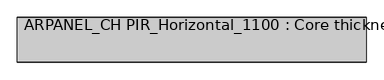
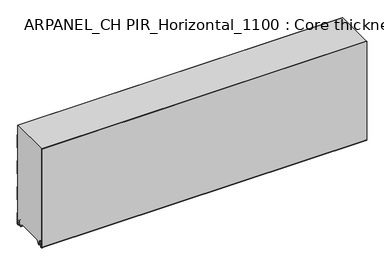
"""IFC4 building model written with IfcOpenShell, lengths in millimetres: plate geometry, ARPANEL_CH PIR_Horizontal_1100 : Core thickness - 160 mm."""

from ifc_helpers import new_model, si_unit, frame, origin, place, context, project, spatial, polyline, circle_curve, source, transform, mapped, element, save
from ifc_brep_helpers import plane_surface, cylinder_surface, revolved_surface, advanced_brep


def arpanel_ch_pir_horizontal_1100_core_thickness_160_mm_317dc444(model_context):
    return source(origin(), model_context, "Body", "AdvancedBrep", [
        advanced_brep(
        [(620.0, -159.9996949, 3.0900682), (620.0, -153.81449, 2.7875612), (620.0, -152.197116, 19.2828169), (620.0, -149.1776715, 21.9898782), (620.0, -146.1582271, 19.2828169), (620.0, -144.7725998, 5.1510966), (620.0, -140.3830995, 5.365779), (620.0, -141.1830995, 5.365779), (620.0, -143.9764178, 5.2291629), (620.0, -145.3620451, 19.3608832), (620.0, -149.1776715, 22.7899182), (620.0, -152.9932979, 19.3608832), (620.0, -154.6106719, 2.8656275), (620.0, -159.1996949, 3.0900682), (620.0, -159.2, 400.0), (620.0, -159.9996949, 400.0), (-620.0, -159.1996949, 3.0900682), (-620.0, -154.6106719, 2.8656275), (-620.0, -152.9932979, 19.3608832), (-620.0, -149.1776715, 22.7899182), (-620.0, -145.3620451, 19.3608832), (-620.0, -143.9764178, 5.2291629), (-620.0, -141.1830995, 5.365779), (-620.0, -140.3830995, 5.365779), (-620.0, -144.7725998, 5.1510966), (-620.0, -146.1582271, 19.2828169), (-620.0, -149.1776715, 21.9898782), (-620.0, -152.197116, 19.2828169), (-620.0, -153.81449, 2.7875612), (-620.0, -159.9996949, 3.0900682), (-620.0, -159.9996949, 400.0), (-620.0, -159.2, 400.0)],
        [
            (0, 1, circle_curve(frame((620.0, -156.8996949, 3.0900682), z_axis=(1.0, 0.0, 0.0), x_axis=(0.0, 0.0, -1.0)), 3.1)),
            (1, 2),
            (2, 3, circle_curve(frame((620.0, -149.2114338, 18.9900682), z_axis=(-1.0, 0.0, 0.0), x_axis=(0.0, 0.0, -1.0)), 3.0)),
            (3, 4, circle_curve(frame((620.0, -149.1439093, 18.9900682), z_axis=(-1.0, 0.0, 0.0), x_axis=(0.0, 0.0, -1.0)), 3.0)),
            (4, 5),
            (5, 6, circle_curve(frame((620.0, -142.5830995, 5.365779), z_axis=(1.0, 0.0, 0.0), x_axis=(0.0, 0.0, -1.0)), 2.2)),
            (6, 7),
            (7, 8, circle_curve(frame((620.0, -142.5830995, 5.365779), z_axis=(-1.0, 0.0, 0.0), x_axis=(0.0, 0.0, -1.0)), 1.4)),
            (8, 9),
            (9, 10, circle_curve(frame((620.0, -149.1439093, 18.9900682), z_axis=(1.0, 0.0, 0.0), x_axis=(0.0, 0.0, -1.0)), 3.8)),
            (10, 11, circle_curve(frame((620.0, -149.2114338, 18.9900682), z_axis=(1.0, 0.0, 0.0), x_axis=(0.0, 0.0, -1.0)), 3.8)),
            (11, 12),
            (12, 13, circle_curve(frame((620.0, -156.8996949, 3.0900682), z_axis=(-1.0, 0.0, 0.0), x_axis=(0.0, 0.0, -1.0)), 2.3)),
            (13, 14),
            (14, 15),
            (15, 0),
            (16, 17, circle_curve(frame((-620.0, -156.8996949, 3.0900682), z_axis=(1.0, 0.0, 0.0), x_axis=(0.0, 0.0, -1.0)), 2.3)),
            (17, 18),
            (18, 19, circle_curve(frame((-620.0, -149.2114338, 18.9900682), z_axis=(-1.0, 0.0, 0.0), x_axis=(0.0, 0.0, -1.0)), 3.8)),
            (19, 20, circle_curve(frame((-620.0, -149.1439093, 18.9900682), z_axis=(-1.0, 0.0, 0.0), x_axis=(0.0, 0.0, -1.0)), 3.8)),
            (20, 21),
            (21, 22, circle_curve(frame((-620.0, -142.5830995, 5.365779), z_axis=(1.0, 0.0, 0.0), x_axis=(0.0, 0.0, -1.0)), 1.4)),
            (22, 23),
            (23, 24, circle_curve(frame((-620.0, -142.5830995, 5.365779), z_axis=(-1.0, 0.0, 0.0), x_axis=(0.0, 0.0, -1.0)), 2.2)),
            (24, 25),
            (25, 26, circle_curve(frame((-620.0, -149.1439093, 18.9900682), z_axis=(1.0, 0.0, 0.0), x_axis=(0.0, 0.0, -1.0)), 3.0)),
            (26, 27, circle_curve(frame((-620.0, -149.2114338, 18.9900682), z_axis=(1.0, 0.0, 0.0), x_axis=(0.0, 0.0, -1.0)), 3.0)),
            (27, 28),
            (28, 29, circle_curve(frame((-620.0, -156.8996949, 3.0900682), z_axis=(-1.0, 0.0, 0.0), x_axis=(0.0, 0.0, -1.0)), 3.1)),
            (29, 30),
            (30, 31),
            (31, 16),
            (13, 16),
            (31, 14),
            (29, 0),
            (15, 30),
            (12, 17),
            (11, 18),
            (10, 19),
            (9, 20),
            (8, 21),
            (7, 22),
            (6, 23),
            (5, 24),
            (4, 25),
            (3, 26),
            (2, 27),
            (1, 28),
        ],
        [
            plane_surface(frame((620.0, -160.0, 0.0), z_axis=(1.0, 0.0, 0.0), x_axis=(0.0, 1.0, 0.0))),
            plane_surface(frame((-620.0, -160.0, 0.0), z_axis=(-1.0, 0.0, 0.0), x_axis=(0.0, 1.0, 0.0))),
            plane_surface(frame((620.0, -159.2, 3.0900682), z_axis=(0.0, 1.0, 0.0), x_axis=(-1.0, 0.0, 0.0))),
            plane_surface(frame((620.0, -159.9996949, 1093.9000005), z_axis=(0.0, -1.0, 0.0), x_axis=(-1.0, 0.0, 0.0))),
            revolved_surface(polyline([(-620.0, -156.8996949, 0.7900682000000003), (620.0, -156.8996949, 0.7900682000000003)]), (620.0, -156.8996949, 3.0900682), (-1.0, 0.0, 0.0)),
            plane_surface(frame((620.0, -152.9932979, 19.3608832), z_axis=(0.0, -0.9952273999818314, 0.09758289975914787), x_axis=(-1.0, 0.0, 0.0))),
            cylinder_surface(frame((620.0, -149.2114338, 18.9900682), z_axis=(1.0, 0.0, 0.0), x_axis=(0.0, 0.0, -1.0)), 3.8),
            cylinder_surface(frame((620.0, -149.1439093, 18.9900682), z_axis=(1.0, 0.0, 0.0), x_axis=(0.0, 0.0, -1.0)), 3.8),
            plane_surface(frame((620.0, -143.9764178, 5.2291629), z_axis=(0.0, 0.9952273999818297, 0.09758289975916531), x_axis=(-1.0, 0.0, 0.0))),
            revolved_surface(polyline([(-620.0, -142.5830995, 3.965779), (620.0, -142.5830995, 3.965779)]), (620.0, -142.5830995, 5.365779), (-1.0, 0.0, 0.0)),
            plane_surface(frame((620.0, -140.3830995, 5.365779), z_axis=(0.0, 0.0, 1.0), x_axis=(-1.0, 0.0, 0.0))),
            cylinder_surface(frame((620.0, -142.5830995, 5.365779), z_axis=(1.0, 0.0, 0.0), x_axis=(0.0, 0.0, -1.0)), 2.2),
            plane_surface(frame((620.0, -146.1582271, 19.2828169), z_axis=(0.0, -0.9952273999818296, -0.09758289975916527), x_axis=(-1.0, 0.0, 0.0))),
            revolved_surface(polyline([(-620.0, -149.1439093, 15.9900682), (620.0, -149.1439093, 15.9900682)]), (620.0, -149.1439093, 18.9900682), (-1.0, 0.0, 0.0)),
            revolved_surface(polyline([(-620.0, -149.2114338, 15.9900682), (620.0, -149.2114338, 15.9900682)]), (620.0, -149.2114338, 18.9900682), (-1.0, 0.0, 0.0)),
            plane_surface(frame((620.0, -153.81449, 2.7875612), z_axis=(0.0, 0.9952273999818314, -0.09758289975914787), x_axis=(-1.0, 0.0, 0.0))),
            cylinder_surface(frame((620.0, -156.8996949, 3.0900682), z_axis=(1.0, 0.0, 0.0), x_axis=(0.0, 0.0, -1.0)), 3.1),
            plane_surface(frame((-620.0, 134.0533409, 400.0), z_axis=(0.0, 0.0, 1.0), x_axis=(1.0, 0.0, 0.0))),
        ],
        [
            (0, [[1, 2, 3, 4, 5, 6, 7, 8, 9, 10, 11, 12, 13, 14, 15, 16]]),
            (1, [[17, 18, 19, 20, 21, 22, 23, 24, 25, 26, 27, 28, 29, 30, 31, 32]]),
            (2, [[33, -32, 34, -14]]),
            (3, [[35, -16, 36, -30]]),
            (4, [[-13, 37, -17, -33]]),
            (5, [[-12, 38, -18, -37]]),
            (6, [[-11, 39, -19, -38]]),
            (7, [[-10, 40, -20, -39]]),
            (8, [[-9, 41, -21, -40]]),
            (9, [[-8, 42, -22, -41]]),
            (10, [[-7, 43, -23, -42]]),
            (11, [[-6, 44, -24, -43]]),
            (12, [[-5, 45, -25, -44]]),
            (13, [[-4, 46, -26, -45]]),
            (14, [[-3, 47, -27, -46]]),
            (15, [[-2, 48, -28, -47]]),
            (16, [[-1, -35, -29, -48]]),
            (17, [[-15, -34, -31, -36]]),
        ],
    ),
        advanced_brep(
        [(620.0, -129.873448, 15.1417681), (620.0, -30.126552, 15.1417681), (620.0, -23.4071318, 3.165779), (620.0, -17.4169005, 3.165779), (620.0, -19.6169005, 5.365779), (620.0, -18.8169005, 5.365779), (620.0, -16.0235822, 5.2291629), (620.0, -14.6379549, 19.3608832), (620.0, -10.8223285, 22.7899182), (620.0, -7.0067021, 19.3608832), (620.0, -5.3893281, 2.8656275), (620.0, -0.8003051, 3.0900682), (620.0, -0.8, 44.6827637), (620.0, -1.0986697, 45.7341795), (620.0, -1.5003051, 47.1545605), (620.0, -1.5003051, 97.3143437), (620.0, -1.0971009, 98.7337551), (620.0, -0.8, 99.7861405), (620.0, -0.8, 149.9459237), (620.0, -1.0986697, 150.9973395), (620.0, -1.5003051, 152.4177205), (620.0, -1.5003051, 202.5775037), (620.0, -1.0971009, 203.9969151), (620.0, -0.8, 205.0493005), (620.0, -0.8, 255.2090837), (620.0, -1.0986697, 256.2604995), (620.0, -1.5003051, 257.6808805), (620.0, -1.5003051, 307.8406637), (620.0, -1.0971009, 309.2600751), (620.0, -0.8, 310.3124605), (620.0, -0.8, 360.4722437), (620.0, -1.0986697, 361.5236595), (620.0, -1.5003051, 362.9440405), (620.0, -1.5003051, 400.0), (620.0, -159.2, 400.0), (620.0, -159.2, 3.0900682), (620.0, -154.6106719, 2.8656275), (620.0, -152.9932979, 19.3608832), (620.0, -149.1776715, 22.7899182), (620.0, -145.3620451, 19.3608832), (620.0, -143.9764178, 5.2291629), (620.0, -141.1830995, 5.365779), (620.0, -140.3830995, 5.365779), (620.0, -142.5830995, 3.165779), (620.0, -136.5928682, 3.165779), (-620.0, -30.126552, 15.1417681), (-620.0, -129.873448, 15.1417681), (-620.0, -136.5928682, 3.165779), (-620.0, -142.5830995, 3.165779), (-620.0, -140.3830995, 5.365779), (-620.0, -141.1830995, 5.365779), (-620.0, -143.9764178, 5.2291629), (-620.0, -145.3620451, 19.3608832), (-620.0, -149.1776715, 22.7899182), (-620.0, -152.9932979, 19.3608832), (-620.0, -154.6106719, 2.8656275), (-620.0, -159.1996949, 3.0900682), (-620.0, -159.2, 400.0), (-620.0, -1.5003051, 400.0), (-620.0, -1.5003051, 362.9440405), (-620.0, -1.0971009, 361.5246291), (-620.0, -0.8, 360.4722437), (-620.0, -0.8, 310.3124605), (-620.0, -1.0986697, 309.2610446), (-620.0, -1.5003051, 307.8406637), (-620.0, -1.5003051, 257.6808805), (-620.0, -1.0971009, 256.2614691), (-620.0, -0.8, 255.2090837), (-620.0, -0.8, 205.0493005), (-620.0, -1.0986697, 203.9978846), (-620.0, -1.5003051, 202.5775037), (-620.0, -1.5003051, 152.4177205), (-620.0, -1.0971009, 150.9983091), (-620.0, -0.8, 149.9459237), (-620.0, -0.8, 99.7861405), (-620.0, -1.0986697, 98.7347246), (-620.0, -1.5003051, 97.3143437), (-620.0, -1.5003051, 47.1545605), (-620.0, -1.0971009, 45.7351491), (-620.0, -0.8, 44.6827637), (-620.0, -0.8, 3.0900682), (-620.0, -5.3893281, 2.8656275), (-620.0, -7.0067021, 19.3608832), (-620.0, -10.8223285, 22.7899182), (-620.0, -14.6379549, 19.3608832), (-620.0, -16.0235822, 5.2291629), (-620.0, -18.8169005, 5.365779), (-620.0, -19.6169005, 5.365779), (-620.0, -17.4169005, 3.165779), (-620.0, -23.4071318, 3.165779)],
        [
            (0, 1),
            (1, 2),
            (2, 3),
            (3, 4, circle_curve(frame((620.0, -17.4169005, 5.365779), z_axis=(-1.0, 0.0, 0.0), x_axis=(0.0, 0.0, -1.0)), 2.2)),
            (4, 5),
            (5, 6, circle_curve(frame((620.0, -17.4169005, 5.365779), z_axis=(1.0, 0.0, 0.0), x_axis=(0.0, 0.0, -1.0)), 1.4)),
            (6, 7),
            (7, 8, circle_curve(frame((620.0, -10.8560907, 18.9900682), z_axis=(-1.0, 0.0, 0.0), x_axis=(0.0, 0.0, -1.0)), 3.8)),
            (8, 9, circle_curve(frame((620.0, -10.7885662, 18.9900682), z_axis=(-1.0, 0.0, 0.0), x_axis=(0.0, 0.0, -1.0)), 3.8)),
            (9, 10),
            (10, 11, circle_curve(frame((620.0, -3.1003051, 3.0900682), z_axis=(1.0, 0.0, 0.0), x_axis=(0.0, 0.0, -1.0)), 2.3)),
            (11, 12),
            (12, 13, circle_curve(frame((620.0, -2.8, 44.6827637), z_axis=(1.0, 0.0, 0.0), x_axis=(0.0, 0.0, -1.0)), 2.0)),
            (13, 14, circle_curve(frame((620.0, 1.1996949, 47.1545605), z_axis=(-1.0, 0.0, 0.0), x_axis=(0.0, 0.0, -1.0)), 2.7)),
            (14, 15),
            (15, 16, circle_curve(frame((620.0, 1.1996949, 97.3143437), z_axis=(-1.0, 0.0, 0.0), x_axis=(0.0, 0.0, -1.0)), 2.7)),
            (16, 17, circle_curve(frame((620.0, -2.8, 99.7861405), z_axis=(1.0, 0.0, 0.0), x_axis=(0.0, 0.0, -1.0)), 2.0)),
            (17, 18),
            (18, 19, circle_curve(frame((620.0, -2.8, 149.9459237), z_axis=(1.0, 0.0, 0.0), x_axis=(0.0, 0.0, -1.0)), 2.0)),
            (19, 20, circle_curve(frame((620.0, 1.1996949, 152.4177205), z_axis=(-1.0, 0.0, 0.0), x_axis=(0.0, 0.0, -1.0)), 2.7)),
            (20, 21),
            (21, 22, circle_curve(frame((620.0, 1.1996949, 202.5775037), z_axis=(-1.0, 0.0, 0.0), x_axis=(0.0, 0.0, -1.0)), 2.7)),
            (22, 23, circle_curve(frame((620.0, -2.8, 205.0493005), z_axis=(1.0, 0.0, 0.0), x_axis=(0.0, 0.0, -1.0)), 2.0)),
            (23, 24),
            (24, 25, circle_curve(frame((620.0, -2.8, 255.2090837), z_axis=(1.0, 0.0, 0.0), x_axis=(0.0, 0.0, -1.0)), 2.0)),
            (25, 26, circle_curve(frame((620.0, 1.1996949, 257.6808805), z_axis=(-1.0, 0.0, 0.0), x_axis=(0.0, 0.0, -1.0)), 2.7)),
            (26, 27),
            (27, 28, circle_curve(frame((620.0, 1.1996949, 307.8406637), z_axis=(-1.0, 0.0, 0.0), x_axis=(0.0, 0.0, -1.0)), 2.7)),
            (28, 29, circle_curve(frame((620.0, -2.8, 310.3124605), z_axis=(1.0, 0.0, 0.0), x_axis=(0.0, 0.0, -1.0)), 2.0)),
            (29, 30),
            (30, 31, circle_curve(frame((620.0, -2.8, 360.4722437), z_axis=(1.0, 0.0, 0.0), x_axis=(0.0, 0.0, -1.0)), 2.0)),
            (31, 32, circle_curve(frame((620.0, 1.1996949, 362.9440405), z_axis=(-1.0, 0.0, 0.0), x_axis=(0.0, 0.0, -1.0)), 2.7)),
            (32, 33),
            (33, 34),
            (34, 35),
            (35, 36, circle_curve(frame((620.0, -156.8996949, 3.0900682), z_axis=(1.0, 0.0, 0.0), x_axis=(0.0, 0.0, -1.0)), 2.3)),
            (36, 37),
            (37, 38, circle_curve(frame((620.0, -149.2114338, 18.9900682), z_axis=(-1.0, 0.0, 0.0), x_axis=(0.0, 0.0, -1.0)), 3.8)),
            (38, 39, circle_curve(frame((620.0, -149.1439093, 18.9900682), z_axis=(-1.0, 0.0, 0.0), x_axis=(0.0, 0.0, -1.0)), 3.8)),
            (39, 40),
            (40, 41, circle_curve(frame((620.0, -142.5830995, 5.365779), z_axis=(1.0, 0.0, 0.0), x_axis=(0.0, 0.0, -1.0)), 1.4)),
            (41, 42),
            (42, 43, circle_curve(frame((620.0, -142.5830995, 5.365779), z_axis=(-1.0, 0.0, 0.0), x_axis=(0.0, 0.0, -1.0)), 2.2)),
            (43, 44),
            (44, 0),
            (45, 46),
            (46, 47),
            (47, 48),
            (48, 49, circle_curve(frame((-620.0, -142.5830995, 5.365779), z_axis=(1.0, 0.0, 0.0), x_axis=(0.0, 0.0, -1.0)), 2.2)),
            (49, 50),
            (50, 51, circle_curve(frame((-620.0, -142.5830995, 5.365779), z_axis=(-1.0, 0.0, 0.0), x_axis=(0.0, 0.0, -1.0)), 1.4)),
            (51, 52),
            (52, 53, circle_curve(frame((-620.0, -149.1439093, 18.9900682), z_axis=(1.0, 0.0, 0.0), x_axis=(0.0, 0.0, -1.0)), 3.8)),
            (53, 54, circle_curve(frame((-620.0, -149.2114338, 18.9900682), z_axis=(1.0, 0.0, 0.0), x_axis=(0.0, 0.0, -1.0)), 3.8)),
            (54, 55),
            (55, 56, circle_curve(frame((-620.0, -156.8996949, 3.0900682), z_axis=(-1.0, 0.0, 0.0), x_axis=(0.0, 0.0, -1.0)), 2.3)),
            (56, 57),
            (57, 58),
            (58, 59),
            (59, 60, circle_curve(frame((-620.0, 1.1996949, 362.9440405), z_axis=(1.0, 0.0, 0.0), x_axis=(0.0, 0.0, -1.0)), 2.7)),
            (60, 61, circle_curve(frame((-620.0, -2.8, 360.4722437), z_axis=(-1.0, 0.0, 0.0), x_axis=(0.0, 0.0, -1.0)), 2.0)),
            (61, 62),
            (62, 63, circle_curve(frame((-620.0, -2.8, 310.3124605), z_axis=(-1.0, 0.0, 0.0), x_axis=(0.0, 0.0, -1.0)), 2.0)),
            (63, 64, circle_curve(frame((-620.0, 1.1996949, 307.8406637), z_axis=(1.0, 0.0, 0.0), x_axis=(0.0, 0.0, -1.0)), 2.7)),
            (64, 65),
            (65, 66, circle_curve(frame((-620.0, 1.1996949, 257.6808805), z_axis=(1.0, 0.0, 0.0), x_axis=(0.0, 0.0, -1.0)), 2.7)),
            (66, 67, circle_curve(frame((-620.0, -2.8, 255.2090837), z_axis=(-1.0, 0.0, 0.0), x_axis=(0.0, 0.0, -1.0)), 2.0)),
            (67, 68),
            (68, 69, circle_curve(frame((-620.0, -2.8, 205.0493005), z_axis=(-1.0, 0.0, 0.0), x_axis=(0.0, 0.0, -1.0)), 2.0)),
            (69, 70, circle_curve(frame((-620.0, 1.1996949, 202.5775037), z_axis=(1.0, 0.0, 0.0), x_axis=(0.0, 0.0, -1.0)), 2.7)),
            (70, 71),
            (71, 72, circle_curve(frame((-620.0, 1.1996949, 152.4177205), z_axis=(1.0, 0.0, 0.0), x_axis=(0.0, 0.0, -1.0)), 2.7)),
            (72, 73, circle_curve(frame((-620.0, -2.8, 149.9459237), z_axis=(-1.0, 0.0, 0.0), x_axis=(0.0, 0.0, -1.0)), 2.0)),
            (73, 74),
            (74, 75, circle_curve(frame((-620.0, -2.8, 99.7861405), z_axis=(-1.0, 0.0, 0.0), x_axis=(0.0, 0.0, -1.0)), 2.0)),
            (75, 76, circle_curve(frame((-620.0, 1.1996949, 97.3143437), z_axis=(1.0, 0.0, 0.0), x_axis=(0.0, 0.0, -1.0)), 2.7)),
            (76, 77),
            (77, 78, circle_curve(frame((-620.0, 1.1996949, 47.1545605), z_axis=(1.0, 0.0, 0.0), x_axis=(0.0, 0.0, -1.0)), 2.7)),
            (78, 79, circle_curve(frame((-620.0, -2.8, 44.6827637), z_axis=(-1.0, 0.0, 0.0), x_axis=(0.0, 0.0, -1.0)), 2.0)),
            (79, 80),
            (80, 81, circle_curve(frame((-620.0, -3.1003051, 3.0900682), z_axis=(-1.0, 0.0, 0.0), x_axis=(0.0, 0.0, -1.0)), 2.3)),
            (81, 82),
            (82, 83, circle_curve(frame((-620.0, -10.7885662, 18.9900682), z_axis=(1.0, 0.0, 0.0), x_axis=(0.0, 0.0, -1.0)), 3.8)),
            (83, 84, circle_curve(frame((-620.0, -10.8560907, 18.9900682), z_axis=(1.0, 0.0, 0.0), x_axis=(0.0, 0.0, -1.0)), 3.8)),
            (84, 85),
            (85, 86, circle_curve(frame((-620.0, -17.4169005, 5.365779), z_axis=(-1.0, 0.0, 0.0), x_axis=(0.0, 0.0, -1.0)), 1.4)),
            (86, 87),
            (87, 88, circle_curve(frame((-620.0, -17.4169005, 5.365779), z_axis=(1.0, 0.0, 0.0), x_axis=(0.0, 0.0, -1.0)), 2.2)),
            (88, 89),
            (89, 45),
            (1, 45),
            (89, 2),
            (0, 46),
            (44, 47),
            (72, 19),
            (18, 73),
            (71, 20),
            (70, 21),
            (69, 22),
            (68, 23),
            (67, 24),
            (66, 25),
            (65, 26),
            (64, 27),
            (63, 28),
            (62, 29),
            (61, 30),
            (60, 31),
            (59, 32),
            (58, 33),
            (56, 35),
            (34, 57),
            (88, 3),
            (43, 48),
            (87, 4),
            (86, 5),
            (85, 6),
            (84, 7),
            (83, 8),
            (82, 9),
            (81, 10),
            (80, 11),
            (79, 12),
            (78, 13),
            (77, 14),
            (76, 15),
            (75, 16),
            (74, 17),
            (55, 36),
            (54, 37),
            (53, 38),
            (52, 39),
            (51, 40),
            (50, 41),
            (49, 42),
        ],
        [
            plane_surface(frame((620.0, 0.0, 0.0), z_axis=(1.0, 0.0, 0.0), x_axis=(0.0, -1.0, 0.0))),
            plane_surface(frame((-620.0, 0.0, 0.0), z_axis=(-1.0, 0.0, 0.0), x_axis=(0.0, -1.0, 0.0))),
            plane_surface(frame((620.0, -30.126552, 15.1417681), z_axis=(0.0, -0.8721062992196836, -0.4893164649399687), x_axis=(-1.0, 0.0, 0.0))),
            plane_surface(frame((620.0, -129.873448, 15.1417681), z_axis=(0.0, 0.0, -1.0), x_axis=(-1.0, 0.0, 0.0))),
            plane_surface(frame((620.0, -136.8190247, 2.7627014), z_axis=(0.0, 0.8721062992196862, -0.4893164649399642), x_axis=(-1.0, 0.0, 0.0))),
            cylinder_surface(frame((750.0, -2.8, 149.9459237), z_axis=(-1.0, 0.0, 0.0), x_axis=(0.0, 0.0, -1.0)), 2.0),
            revolved_surface(polyline([(620.0, 1.1996949, 149.7177205), (-620.0, 1.1996949, 149.7177205)]), (750.0, 1.1996949, 152.4177205), (1.0, 0.0, 0.0)),
            plane_surface(frame((750.0, -1.5003051, 202.5775037), z_axis=(0.0, 1.0, 0.0), x_axis=(-1.0, 0.0, 0.0))),
            revolved_surface(polyline([(620.0, 1.1996949, 199.8775037), (-620.0, 1.1996949, 199.8775037)]), (750.0, 1.1996949, 202.5775037), (1.0, 0.0, 0.0)),
            cylinder_surface(frame((750.0, -2.8, 205.0493005), z_axis=(-1.0, 0.0, 0.0), x_axis=(0.0, 0.0, -1.0)), 2.0),
            plane_surface(frame((750.0, -0.8, 255.2090837), z_axis=(0.0, 1.0, 0.0), x_axis=(-1.0, 0.0, 0.0))),
            cylinder_surface(frame((750.0, -2.8, 255.2090837), z_axis=(-1.0, 0.0, 0.0), x_axis=(0.0, 0.0, -1.0)), 2.0),
            revolved_surface(polyline([(620.0, 1.1996949, 254.9808805), (-620.0, 1.1996949, 254.9808805)]), (750.0, 1.1996949, 257.6808805), (1.0, 0.0, 0.0)),
            plane_surface(frame((750.0, -1.5003051, 307.8406637), z_axis=(0.0, 1.0, 0.0), x_axis=(-1.0, 0.0, 0.0))),
            revolved_surface(polyline([(620.0, 1.1996949, 305.1406637), (-620.0, 1.1996949, 305.1406637)]), (750.0, 1.1996949, 307.8406637), (1.0, 0.0, 0.0)),
            cylinder_surface(frame((750.0, -2.8, 310.3124605), z_axis=(-1.0, 0.0, 0.0), x_axis=(0.0, 0.0, -1.0)), 2.0),
            plane_surface(frame((750.0, -0.8, 360.4722437), z_axis=(0.0, 1.0, 0.0), x_axis=(-1.0, 0.0, 0.0))),
            cylinder_surface(frame((750.0, -2.8, 360.4722437), z_axis=(-1.0, 0.0, 0.0), x_axis=(0.0, 0.0, -1.0)), 2.0),
            revolved_surface(polyline([(620.0, 1.1996949, 360.24404050000004), (-620.0, 1.1996949, 360.24404050000004)]), (750.0, 1.1996949, 362.9440405), (1.0, 0.0, 0.0)),
            plane_surface(frame((750.0, -1.5003051, 413.1038237), z_axis=(0.0, 1.0, 0.0), x_axis=(-1.0, 0.0, 0.0))),
            plane_surface(frame((750.0, -159.2, 3.0900682), z_axis=(0.0, -1.0, 0.0), x_axis=(-1.0, 0.0, 0.0))),
            plane_surface(frame((-620.0, -142.5830995, 3.165779), z_axis=(0.0, 0.0, -1.0), x_axis=(1.0, 0.0, 0.0))),
            revolved_surface(polyline([(620.0, -17.4169005, 3.1657789999999997), (-620.0, -17.4169005, 3.1657789999999997)]), (750.0, -17.4169005, 5.365779), (1.0, 0.0, 0.0)),
            plane_surface(frame((750.0, -18.8169005, 5.365779), z_axis=(0.0, 0.0, -1.0), x_axis=(-1.0, 0.0, 0.0))),
            cylinder_surface(frame((750.0, -17.4169005, 5.365779), z_axis=(-1.0, 0.0, 0.0), x_axis=(0.0, 0.0, -1.0)), 1.4),
            plane_surface(frame((750.0, -14.6379549, 19.3608832), z_axis=(0.0, 0.9952273999818297, -0.09758289975916531), x_axis=(-1.0, 0.0, 0.0))),
            revolved_surface(polyline([(620.0, -10.8560907, 15.190068199999999), (-620.0, -10.8560907, 15.190068199999999)]), (750.0, -10.8560907, 18.9900682), (1.0, 0.0, 0.0)),
            revolved_surface(polyline([(620.0, -10.7885662, 15.190068199999999), (-620.0, -10.7885662, 15.190068199999999)]), (750.0, -10.7885662, 18.9900682), (1.0, 0.0, 0.0)),
            plane_surface(frame((750.0, -5.3893281, 2.8656275), z_axis=(0.0, -0.9952273999818314, -0.09758289975914787), x_axis=(-1.0, 0.0, 0.0))),
            cylinder_surface(frame((750.0, -3.1003051, 3.0900682), z_axis=(-1.0, 0.0, 0.0), x_axis=(0.0, 0.0, -1.0)), 2.3),
            plane_surface(frame((750.0, -0.8, 44.6827637), z_axis=(0.0, 1.0, 0.0), x_axis=(-1.0, 0.0, 0.0))),
            cylinder_surface(frame((750.0, -2.8, 44.6827637), z_axis=(-1.0, 0.0, 0.0), x_axis=(0.0, 0.0, -1.0)), 2.0),
            revolved_surface(polyline([(620.0, 1.1996949, 44.4545605), (-620.0, 1.1996949, 44.4545605)]), (750.0, 1.1996949, 47.1545605), (1.0, 0.0, 0.0)),
            plane_surface(frame((750.0, -1.5003051, 97.3143437), z_axis=(0.0, 1.0, 0.0), x_axis=(-1.0, 0.0, 0.0))),
            revolved_surface(polyline([(620.0, 1.1996949, 94.61434369999999), (-620.0, 1.1996949, 94.61434369999999)]), (750.0, 1.1996949, 97.3143437), (1.0, 0.0, 0.0)),
            cylinder_surface(frame((750.0, -2.8, 99.7861405), z_axis=(-1.0, 0.0, 0.0), x_axis=(0.0, 0.0, -1.0)), 2.0),
            plane_surface(frame((750.0, -0.8, 149.9459237), z_axis=(0.0, 1.0, 0.0), x_axis=(-1.0, 0.0, 0.0))),
            cylinder_surface(frame((750.0, -156.8996949, 3.0900682), z_axis=(-1.0, 0.0, 0.0), x_axis=(0.0, 0.0, -1.0)), 2.3),
            plane_surface(frame((750.0, -152.9932979, 19.3608832), z_axis=(0.0, 0.9952273999818314, -0.09758289975914787), x_axis=(-1.0, 0.0, 0.0))),
            revolved_surface(polyline([(620.0, -149.2114338, 15.190068199999999), (-620.0, -149.2114338, 15.190068199999999)]), (750.0, -149.2114338, 18.9900682), (1.0, 0.0, 0.0)),
            revolved_surface(polyline([(620.0, -149.1439093, 15.190068199999999), (-620.0, -149.1439093, 15.190068199999999)]), (750.0, -149.1439093, 18.9900682), (1.0, 0.0, 0.0)),
            plane_surface(frame((750.0, -143.9764178, 5.2291629), z_axis=(0.0, -0.9952273999818297, -0.09758289975916531), x_axis=(-1.0, 0.0, 0.0))),
            cylinder_surface(frame((750.0, -142.5830995, 5.365779), z_axis=(-1.0, 0.0, 0.0), x_axis=(0.0, 0.0, -1.0)), 1.4),
            plane_surface(frame((750.0, -140.3830995, 5.365779), z_axis=(0.0, 0.0, -1.0), x_axis=(-1.0, 0.0, 0.0))),
            revolved_surface(polyline([(620.0, -142.5830995, 3.1657789999999997), (-620.0, -142.5830995, 3.1657789999999997)]), (750.0, -142.5830995, 5.365779), (1.0, 0.0, 0.0)),
            plane_surface(frame((-620.0, 134.0533409, 400.0), z_axis=(0.0, 0.0, 1.0), x_axis=(1.0, 0.0, 0.0))),
        ],
        [
            (0, [[1, 2, 3, 4, 5, 6, 7, 8, 9, 10, 11, 12, 13, 14, 15, 16, 17, 18, 19, 20, 21, 22, 23, 24, 25, 26, 27, 28, 29, 30, 31, 32, 33, 34, 35, 36, 37, 38, 39, 40, 41, 42, 43, 44, 45]]),
            (1, [[46, 47, 48, 49, 50, 51, 52, 53, 54, 55, 56, 57, 58, 59, 60, 61, 62, 63, 64, 65, 66, 67, 68, 69, 70, 71, 72, 73, 74, 75, 76, 77, 78, 79, 80, 81, 82, 83, 84, 85, 86, 87, 88, 89, 90]]),
            (2, [[91, -90, 92, -2]]),
            (3, [[-1, 93, -46, -91]]),
            (4, [[-93, -45, 94, -47]]),
            (5, [[95, -19, 96, -73]]),
            (6, [[-95, -72, 97, -20]]),
            (7, [[-97, -71, 98, -21]]),
            (8, [[-98, -70, 99, -22]]),
            (9, [[-99, -69, 100, -23]]),
            (10, [[-100, -68, 101, -24]]),
            (11, [[-101, -67, 102, -25]]),
            (12, [[-102, -66, 103, -26]]),
            (13, [[-103, -65, 104, -27]]),
            (14, [[-104, -64, 105, -28]]),
            (15, [[-105, -63, 106, -29]]),
            (16, [[-106, -62, 107, -30]]),
            (17, [[-107, -61, 108, -31]]),
            (18, [[-108, -60, 109, -32]]),
            (19, [[-109, -59, 110, -33]]),
            (20, [[111, -35, 112, -57]]),
            (21, [[-3, -92, -89, 113]]),
            (21, [[-44, 114, -48, -94]]),
            (22, [[115, -4, -113, -88]]),
            (23, [[-115, -87, 116, -5]]),
            (24, [[-116, -86, 117, -6]]),
            (25, [[-117, -85, 118, -7]]),
            (26, [[-118, -84, 119, -8]]),
            (27, [[-119, -83, 120, -9]]),
            (28, [[-120, -82, 121, -10]]),
            (29, [[-121, -81, 122, -11]]),
            (30, [[-122, -80, 123, -12]]),
            (31, [[-123, -79, 124, -13]]),
            (32, [[-124, -78, 125, -14]]),
            (33, [[-125, -77, 126, -15]]),
            (34, [[-126, -76, 127, -16]]),
            (35, [[-127, -75, 128, -17]]),
            (36, [[-128, -74, -96, -18]]),
            (37, [[-111, -56, 129, -36]]),
            (38, [[-129, -55, 130, -37]]),
            (39, [[-130, -54, 131, -38]]),
            (40, [[-131, -53, 132, -39]]),
            (41, [[-132, -52, 133, -40]]),
            (42, [[-133, -51, 134, -41]]),
            (43, [[-134, -50, 135, -42]]),
            (44, [[-135, -49, -114, -43]]),
            (45, [[-110, -58, -112, -34]]),
        ],
    ),
        advanced_brep(
        [(-620.0, -0.7003051, 362.9440405), (-620.0, -0.4016712, 361.8926826), (-620.0, -0.0003051, 360.4722437), (-620.0, -0.0003051, 310.3124605), (-620.0, -0.4034608, 308.8931274), (-620.0, -0.7003051, 307.8406637), (-620.0, -0.7003051, 257.6808805), (-620.0, -0.4016712, 256.6295226), (-620.0, -0.0003051, 255.2090837), (-620.0, -0.0003051, 205.0493005), (-620.0, -0.4034608, 203.6299674), (-620.0, -0.7003051, 202.5775037), (-620.0, -0.7003051, 152.4177205), (-620.0, -0.4016712, 151.3663626), (-620.0, -0.0003051, 149.9459237), (-620.0, -0.0003051, 99.7861405), (-620.0, -0.4034608, 98.3668074), (-620.0, -0.7003051, 97.3143437), (-620.0, -0.7003051, 47.1545605), (-620.0, -0.4016712, 46.1032026), (-620.0, -0.0003051, 44.6827637), (-620.0, -0.0003051, 3.0900682), (-620.0, -6.18551, 2.7875612), (-620.0, -7.802884, 19.2828169), (-620.0, -10.8223285, 21.9898782), (-620.0, -13.8417729, 19.2828169), (-620.0, -15.2274002, 5.1510966), (-620.0, -19.6169005, 5.365779), (-620.0, -18.8169005, 5.365779), (-620.0, -16.0235822, 5.2291629), (-620.0, -14.6379549, 19.3608832), (-620.0, -10.8223285, 22.7899182), (-620.0, -7.0067021, 19.3608832), (-620.0, -5.3893281, 2.8656275), (-620.0, -0.8003051, 3.0900682), (-620.0, -0.8, 44.6827637), (-620.0, -1.0986697, 45.7341795), (-620.0, -1.5003051, 47.1545605), (-620.0, -1.5003051, 97.3143437), (-620.0, -1.0971009, 98.7337551), (-620.0, -0.8, 99.7861405), (-620.0, -0.8, 149.9459237), (-620.0, -1.0986697, 150.9973395), (-620.0, -1.5003051, 152.4177205), (-620.0, -1.5003051, 202.5775037), (-620.0, -1.0971009, 203.9969151), (-620.0, -0.8, 205.0493005), (-620.0, -0.8, 255.2090837), (-620.0, -1.0986697, 256.2604995), (-620.0, -1.5003051, 257.6808805), (-620.0, -1.5003051, 307.8406637), (-620.0, -1.0971009, 309.2600751), (-620.0, -0.8, 310.3124605), (-620.0, -0.8, 360.4722437), (-620.0, -1.0986697, 361.5236595), (-620.0, -1.5003051, 362.9440405), (-620.0, -1.5003051, 400.0), (-620.0, -0.7003051, 400.0), (620.0, -1.5003051, 362.9440405), (620.0, -1.0971009, 361.5246291), (620.0, -0.8, 360.4722437), (620.0, -0.8, 310.3124605), (620.0, -1.0986697, 309.2610446), (620.0, -1.5003051, 307.8406637), (620.0, -1.5003051, 257.6808805), (620.0, -1.0971009, 256.2614691), (620.0, -0.8, 255.2090837), (620.0, -0.8, 205.0493005), (620.0, -1.0986697, 203.9978846), (620.0, -1.5003051, 202.5775037), (620.0, -1.5003051, 152.4177205), (620.0, -1.0971009, 150.9983091), (620.0, -0.8, 149.9459237), (620.0, -0.8, 99.7861405), (620.0, -1.0986697, 98.7347246), (620.0, -1.5003051, 97.3143437), (620.0, -1.5003051, 47.1545605), (620.0, -1.0971009, 45.7351491), (620.0, -0.8, 44.6827637), (620.0, -0.8, 3.0900682), (620.0, -5.3893281, 2.8656275), (620.0, -7.0067021, 19.3608832), (620.0, -10.8223285, 22.7899182), (620.0, -14.6379549, 19.3608832), (620.0, -16.0235822, 5.2291629), (620.0, -18.8169005, 5.365779), (620.0, -19.6169005, 5.365779), (620.0, -15.2274002, 5.1510966), (620.0, -13.8417729, 19.2828169), (620.0, -10.8223285, 21.9898782), (620.0, -7.802884, 19.2828169), (620.0, -6.18551, 2.7875612), (620.0, -0.0003051, 3.0900682), (620.0, -0.0003051, 44.6827637), (620.0, -0.4034608, 46.1020968), (620.0, -0.7003051, 47.1545605), (620.0, -0.7003051, 97.3143437), (620.0, -0.4016712, 98.3657015), (620.0, -0.0003051, 99.7861405), (620.0, -0.0003051, 149.9459237), (620.0, -0.4034608, 151.3652568), (620.0, -0.7003051, 152.4177205), (620.0, -0.7003051, 202.5775037), (620.0, -0.4016712, 203.6288615), (620.0, -0.0003051, 205.0493005), (620.0, -0.0003051, 255.2090837), (620.0, -0.4034608, 256.6284168), (620.0, -0.7003051, 257.6808805), (620.0, -0.7003051, 307.8406637), (620.0, -0.4016712, 308.8920215), (620.0, -0.0003051, 310.3124605), (620.0, -0.0003051, 360.4722437), (620.0, -0.4034608, 361.8915768), (620.0, -0.7003051, 362.9440405), (620.0, -0.7003051, 400.0), (620.0, -1.5003051, 400.0)],
        [
            (0, 1, circle_curve(frame((-620.0, 1.2996949, 362.9440405), z_axis=(1.0, 0.0, 0.0), x_axis=(0.0, 0.0, -1.0)), 2.0)),
            (1, 2, circle_curve(frame((-620.0, -2.7003051, 360.4722437), z_axis=(-1.0, 0.0, 0.0), x_axis=(0.0, 0.0, -1.0)), 2.7)),
            (2, 3),
            (3, 4, circle_curve(frame((-620.0, -2.7003051, 310.3124605), z_axis=(-1.0, 0.0, 0.0), x_axis=(0.0, 0.0, -1.0)), 2.7)),
            (4, 5, circle_curve(frame((-620.0, 1.2996949, 307.8406637), z_axis=(1.0, 0.0, 0.0), x_axis=(0.0, 0.0, -1.0)), 2.0)),
            (5, 6),
            (6, 7, circle_curve(frame((-620.0, 1.2996949, 257.6808805), z_axis=(1.0, 0.0, 0.0), x_axis=(0.0, 0.0, -1.0)), 2.0)),
            (7, 8, circle_curve(frame((-620.0, -2.7003051, 255.2090837), z_axis=(-1.0, 0.0, 0.0), x_axis=(0.0, 0.0, -1.0)), 2.7)),
            (8, 9),
            (9, 10, circle_curve(frame((-620.0, -2.7003051, 205.0493005), z_axis=(-1.0, 0.0, 0.0), x_axis=(0.0, 0.0, -1.0)), 2.7)),
            (10, 11, circle_curve(frame((-620.0, 1.2996949, 202.5775037), z_axis=(1.0, 0.0, 0.0), x_axis=(0.0, 0.0, -1.0)), 2.0)),
            (11, 12),
            (12, 13, circle_curve(frame((-620.0, 1.2996949, 152.4177205), z_axis=(1.0, 0.0, 0.0), x_axis=(0.0, 0.0, -1.0)), 2.0)),
            (13, 14, circle_curve(frame((-620.0, -2.7003051, 149.9459237), z_axis=(-1.0, 0.0, 0.0), x_axis=(0.0, 0.0, -1.0)), 2.7)),
            (14, 15),
            (15, 16, circle_curve(frame((-620.0, -2.7003051, 99.7861405), z_axis=(-1.0, 0.0, 0.0), x_axis=(0.0, 0.0, -1.0)), 2.7)),
            (16, 17, circle_curve(frame((-620.0, 1.2996949, 97.3143437), z_axis=(1.0, 0.0, 0.0), x_axis=(0.0, 0.0, -1.0)), 2.0)),
            (17, 18),
            (18, 19, circle_curve(frame((-620.0, 1.2996949, 47.1545605), z_axis=(1.0, 0.0, 0.0), x_axis=(0.0, 0.0, -1.0)), 2.0)),
            (19, 20, circle_curve(frame((-620.0, -2.7003051, 44.6827637), z_axis=(-1.0, 0.0, 0.0), x_axis=(0.0, 0.0, -1.0)), 2.7)),
            (20, 21),
            (21, 22, circle_curve(frame((-620.0, -3.1003051, 3.0900682), z_axis=(-1.0, 0.0, 0.0), x_axis=(0.0, 0.0, -1.0)), 3.1)),
            (22, 23),
            (23, 24, circle_curve(frame((-620.0, -10.7885662, 18.9900682), z_axis=(1.0, 0.0, 0.0), x_axis=(0.0, 0.0, -1.0)), 3.0)),
            (24, 25, circle_curve(frame((-620.0, -10.8560907, 18.9900682), z_axis=(1.0, 0.0, 0.0), x_axis=(0.0, 0.0, -1.0)), 3.0)),
            (25, 26),
            (26, 27, circle_curve(frame((-620.0, -17.4169005, 5.365779), z_axis=(-1.0, 0.0, 0.0), x_axis=(0.0, 0.0, -1.0)), 2.2)),
            (27, 28),
            (28, 29, circle_curve(frame((-620.0, -17.4169005, 5.365779), z_axis=(1.0, 0.0, 0.0), x_axis=(0.0, 0.0, -1.0)), 1.4)),
            (29, 30),
            (30, 31, circle_curve(frame((-620.0, -10.8560907, 18.9900682), z_axis=(-1.0, 0.0, 0.0), x_axis=(0.0, 0.0, -1.0)), 3.8)),
            (31, 32, circle_curve(frame((-620.0, -10.7885662, 18.9900682), z_axis=(-1.0, 0.0, 0.0), x_axis=(0.0, 0.0, -1.0)), 3.8)),
            (32, 33),
            (33, 34, circle_curve(frame((-620.0, -3.1003051, 3.0900682), z_axis=(1.0, 0.0, 0.0), x_axis=(0.0, 0.0, -1.0)), 2.3)),
            (34, 35),
            (35, 36, circle_curve(frame((-620.0, -2.8, 44.6827637), z_axis=(1.0, 0.0, 0.0), x_axis=(0.0, 0.0, -1.0)), 2.0)),
            (36, 37, circle_curve(frame((-620.0, 1.1996949, 47.1545605), z_axis=(-1.0, 0.0, 0.0), x_axis=(0.0, 0.0, -1.0)), 2.7)),
            (37, 38),
            (38, 39, circle_curve(frame((-620.0, 1.1996949, 97.3143437), z_axis=(-1.0, 0.0, 0.0), x_axis=(0.0, 0.0, -1.0)), 2.7)),
            (39, 40, circle_curve(frame((-620.0, -2.8, 99.7861405), z_axis=(1.0, 0.0, 0.0), x_axis=(0.0, 0.0, -1.0)), 2.0)),
            (40, 41),
            (41, 42, circle_curve(frame((-620.0, -2.8, 149.9459237), z_axis=(1.0, 0.0, 0.0), x_axis=(0.0, 0.0, -1.0)), 2.0)),
            (42, 43, circle_curve(frame((-620.0, 1.1996949, 152.4177205), z_axis=(-1.0, 0.0, 0.0), x_axis=(0.0, 0.0, -1.0)), 2.7)),
            (43, 44),
            (44, 45, circle_curve(frame((-620.0, 1.1996949, 202.5775037), z_axis=(-1.0, 0.0, 0.0), x_axis=(0.0, 0.0, -1.0)), 2.7)),
            (45, 46, circle_curve(frame((-620.0, -2.8, 205.0493005), z_axis=(1.0, 0.0, 0.0), x_axis=(0.0, 0.0, -1.0)), 2.0)),
            (46, 47),
            (47, 48, circle_curve(frame((-620.0, -2.8, 255.2090837), z_axis=(1.0, 0.0, 0.0), x_axis=(0.0, 0.0, -1.0)), 2.0)),
            (48, 49, circle_curve(frame((-620.0, 1.1996949, 257.6808805), z_axis=(-1.0, 0.0, 0.0), x_axis=(0.0, 0.0, -1.0)), 2.7)),
            (49, 50),
            (50, 51, circle_curve(frame((-620.0, 1.1996949, 307.8406637), z_axis=(-1.0, 0.0, 0.0), x_axis=(0.0, 0.0, -1.0)), 2.7)),
            (51, 52, circle_curve(frame((-620.0, -2.8, 310.3124605), z_axis=(1.0, 0.0, 0.0), x_axis=(0.0, 0.0, -1.0)), 2.0)),
            (52, 53),
            (53, 54, circle_curve(frame((-620.0, -2.8, 360.4722437), z_axis=(1.0, 0.0, 0.0), x_axis=(0.0, 0.0, -1.0)), 2.0)),
            (54, 55, circle_curve(frame((-620.0, 1.1996949, 362.9440405), z_axis=(-1.0, 0.0, 0.0), x_axis=(0.0, 0.0, -1.0)), 2.7)),
            (55, 56),
            (56, 57),
            (57, 0),
            (58, 59, circle_curve(frame((620.0, 1.1996949, 362.9440405), z_axis=(1.0, 0.0, 0.0), x_axis=(0.0, 0.0, -1.0)), 2.7)),
            (59, 60, circle_curve(frame((620.0, -2.8, 360.4722437), z_axis=(-1.0, 0.0, 0.0), x_axis=(0.0, 0.0, -1.0)), 2.0)),
            (60, 61),
            (61, 62, circle_curve(frame((620.0, -2.8, 310.3124605), z_axis=(-1.0, 0.0, 0.0), x_axis=(0.0, 0.0, -1.0)), 2.0)),
            (62, 63, circle_curve(frame((620.0, 1.1996949, 307.8406637), z_axis=(1.0, 0.0, 0.0), x_axis=(0.0, 0.0, -1.0)), 2.7)),
            (63, 64),
            (64, 65, circle_curve(frame((620.0, 1.1996949, 257.6808805), z_axis=(1.0, 0.0, 0.0), x_axis=(0.0, 0.0, -1.0)), 2.7)),
            (65, 66, circle_curve(frame((620.0, -2.8, 255.2090837), z_axis=(-1.0, 0.0, 0.0), x_axis=(0.0, 0.0, -1.0)), 2.0)),
            (66, 67),
            (67, 68, circle_curve(frame((620.0, -2.8, 205.0493005), z_axis=(-1.0, 0.0, 0.0), x_axis=(0.0, 0.0, -1.0)), 2.0)),
            (68, 69, circle_curve(frame((620.0, 1.1996949, 202.5775037), z_axis=(1.0, 0.0, 0.0), x_axis=(0.0, 0.0, -1.0)), 2.7)),
            (69, 70),
            (70, 71, circle_curve(frame((620.0, 1.1996949, 152.4177205), z_axis=(1.0, 0.0, 0.0), x_axis=(0.0, 0.0, -1.0)), 2.7)),
            (71, 72, circle_curve(frame((620.0, -2.8, 149.9459237), z_axis=(-1.0, 0.0, 0.0), x_axis=(0.0, 0.0, -1.0)), 2.0)),
            (72, 73),
            (73, 74, circle_curve(frame((620.0, -2.8, 99.7861405), z_axis=(-1.0, 0.0, 0.0), x_axis=(0.0, 0.0, -1.0)), 2.0)),
            (74, 75, circle_curve(frame((620.0, 1.1996949, 97.3143437), z_axis=(1.0, 0.0, 0.0), x_axis=(0.0, 0.0, -1.0)), 2.7)),
            (75, 76),
            (76, 77, circle_curve(frame((620.0, 1.1996949, 47.1545605), z_axis=(1.0, 0.0, 0.0), x_axis=(0.0, 0.0, -1.0)), 2.7)),
            (77, 78, circle_curve(frame((620.0, -2.8, 44.6827637), z_axis=(-1.0, 0.0, 0.0), x_axis=(0.0, 0.0, -1.0)), 2.0)),
            (78, 79),
            (79, 80, circle_curve(frame((620.0, -3.1003051, 3.0900682), z_axis=(-1.0, 0.0, 0.0), x_axis=(0.0, 0.0, -1.0)), 2.3)),
            (80, 81),
            (81, 82, circle_curve(frame((620.0, -10.7885662, 18.9900682), z_axis=(1.0, 0.0, 0.0), x_axis=(0.0, 0.0, -1.0)), 3.8)),
            (82, 83, circle_curve(frame((620.0, -10.8560907, 18.9900682), z_axis=(1.0, 0.0, 0.0), x_axis=(0.0, 0.0, -1.0)), 3.8)),
            (83, 84),
            (84, 85, circle_curve(frame((620.0, -17.4169005, 5.365779), z_axis=(-1.0, 0.0, 0.0), x_axis=(0.0, 0.0, -1.0)), 1.4)),
            (85, 86),
            (86, 87, circle_curve(frame((620.0, -17.4169005, 5.365779), z_axis=(1.0, 0.0, 0.0), x_axis=(0.0, 0.0, -1.0)), 2.2)),
            (87, 88),
            (88, 89, circle_curve(frame((620.0, -10.8560907, 18.9900682), z_axis=(-1.0, 0.0, 0.0), x_axis=(0.0, 0.0, -1.0)), 3.0)),
            (89, 90, circle_curve(frame((620.0, -10.7885662, 18.9900682), z_axis=(-1.0, 0.0, 0.0), x_axis=(0.0, 0.0, -1.0)), 3.0)),
            (90, 91),
            (91, 92, circle_curve(frame((620.0, -3.1003051, 3.0900682), z_axis=(1.0, 0.0, 0.0), x_axis=(0.0, 0.0, -1.0)), 3.1)),
            (92, 93),
            (93, 94, circle_curve(frame((620.0, -2.7003051, 44.6827637), z_axis=(1.0, 0.0, 0.0), x_axis=(0.0, 0.0, -1.0)), 2.7)),
            (94, 95, circle_curve(frame((620.0, 1.2996949, 47.1545605), z_axis=(-1.0, 0.0, 0.0), x_axis=(0.0, 0.0, -1.0)), 2.0)),
            (95, 96),
            (96, 97, circle_curve(frame((620.0, 1.2996949, 97.3143437), z_axis=(-1.0, 0.0, 0.0), x_axis=(0.0, 0.0, -1.0)), 2.0)),
            (97, 98, circle_curve(frame((620.0, -2.7003051, 99.7861405), z_axis=(1.0, 0.0, 0.0), x_axis=(0.0, 0.0, -1.0)), 2.7)),
            (98, 99),
            (99, 100, circle_curve(frame((620.0, -2.7003051, 149.9459237), z_axis=(1.0, 0.0, 0.0), x_axis=(0.0, 0.0, -1.0)), 2.7)),
            (100, 101, circle_curve(frame((620.0, 1.2996949, 152.4177205), z_axis=(-1.0, 0.0, 0.0), x_axis=(0.0, 0.0, -1.0)), 2.0)),
            (101, 102),
            (102, 103, circle_curve(frame((620.0, 1.2996949, 202.5775037), z_axis=(-1.0, 0.0, 0.0), x_axis=(0.0, 0.0, -1.0)), 2.0)),
            (103, 104, circle_curve(frame((620.0, -2.7003051, 205.0493005), z_axis=(1.0, 0.0, 0.0), x_axis=(0.0, 0.0, -1.0)), 2.7)),
            (104, 105),
            (105, 106, circle_curve(frame((620.0, -2.7003051, 255.2090837), z_axis=(1.0, 0.0, 0.0), x_axis=(0.0, 0.0, -1.0)), 2.7)),
            (106, 107, circle_curve(frame((620.0, 1.2996949, 257.6808805), z_axis=(-1.0, 0.0, 0.0), x_axis=(0.0, 0.0, -1.0)), 2.0)),
            (107, 108),
            (108, 109, circle_curve(frame((620.0, 1.2996949, 307.8406637), z_axis=(-1.0, 0.0, 0.0), x_axis=(0.0, 0.0, -1.0)), 2.0)),
            (109, 110, circle_curve(frame((620.0, -2.7003051, 310.3124605), z_axis=(1.0, 0.0, 0.0), x_axis=(0.0, 0.0, -1.0)), 2.7)),
            (110, 111),
            (111, 112, circle_curve(frame((620.0, -2.7003051, 360.4722437), z_axis=(1.0, 0.0, 0.0), x_axis=(0.0, 0.0, -1.0)), 2.7)),
            (112, 113, circle_curve(frame((620.0, 1.2996949, 362.9440405), z_axis=(-1.0, 0.0, 0.0), x_axis=(0.0, 0.0, -1.0)), 2.0)),
            (113, 114),
            (114, 115),
            (115, 58),
            (55, 58),
            (115, 56),
            (54, 59),
            (53, 60),
            (52, 61),
            (51, 62),
            (50, 63),
            (49, 64),
            (48, 65),
            (47, 66),
            (46, 67),
            (45, 68),
            (44, 69),
            (43, 70),
            (42, 71),
            (41, 72),
            (33, 80),
            (79, 34),
            (32, 81),
            (31, 82),
            (30, 83),
            (29, 84),
            (28, 85),
            (27, 86),
            (26, 87),
            (25, 88),
            (24, 89),
            (23, 90),
            (22, 91),
            (21, 92),
            (13, 100),
            (99, 14),
            (12, 101),
            (11, 102),
            (10, 103),
            (9, 104),
            (8, 105),
            (7, 106),
            (6, 107),
            (5, 108),
            (4, 109),
            (3, 110),
            (2, 111),
            (1, 112),
            (0, 113),
            (57, 114),
            (40, 73),
            (39, 74),
            (38, 75),
            (37, 76),
            (36, 77),
            (35, 78),
            (20, 93),
            (19, 94),
            (18, 95),
            (17, 96),
            (16, 97),
            (15, 98),
        ],
        [
            plane_surface(frame((-620.0, 0.0, 0.0), z_axis=(-1.0, 0.0, 0.0), x_axis=(0.0, -1.0, 0.0))),
            plane_surface(frame((620.0, 0.0, 0.0), z_axis=(1.0, 0.0, 0.0), x_axis=(0.0, -1.0, 0.0))),
            plane_surface(frame((-620.0, -1.5003051, 362.9440405), z_axis=(0.0, -1.0, 0.0), x_axis=(1.0, 0.0, 0.0))),
            cylinder_surface(frame((-620.0, 1.1996949, 362.9440405), z_axis=(-1.0, 0.0, 0.0), x_axis=(0.0, 0.0, -1.0)), 2.7),
            revolved_surface(polyline([(620.0, -2.8, 358.4722437), (-620.0, -2.8, 358.4722437)]), (-620.0, -2.8, 360.4722437), (1.0, 0.0, 0.0)),
            plane_surface(frame((-620.0, -0.8, 310.3124605), z_axis=(0.0, -1.0, 0.0), x_axis=(1.0, 0.0, 0.0))),
            revolved_surface(polyline([(620.0, -2.8, 308.3124605), (-620.0, -2.8, 308.3124605)]), (-620.0, -2.8, 310.3124605), (1.0, 0.0, 0.0)),
            cylinder_surface(frame((-620.0, 1.1996949, 307.8406637), z_axis=(-1.0, 0.0, 0.0), x_axis=(0.0, 0.0, -1.0)), 2.7),
            plane_surface(frame((-620.0, -1.5003051, 257.6808805), z_axis=(0.0, -1.0, 0.0), x_axis=(1.0, 0.0, 0.0))),
            cylinder_surface(frame((-620.0, 1.1996949, 257.6808805), z_axis=(-1.0, 0.0, 0.0), x_axis=(0.0, 0.0, -1.0)), 2.7),
            revolved_surface(polyline([(620.0, -2.8, 253.2090837), (-620.0, -2.8, 253.2090837)]), (-620.0, -2.8, 255.2090837), (1.0, 0.0, 0.0)),
            plane_surface(frame((-620.0, -0.8, 205.0493005), z_axis=(0.0, -1.0, 0.0), x_axis=(1.0, 0.0, 0.0))),
            revolved_surface(polyline([(620.0, -2.8, 203.0493005), (-620.0, -2.8, 203.0493005)]), (-620.0, -2.8, 205.0493005), (1.0, 0.0, 0.0)),
            cylinder_surface(frame((-620.0, 1.1996949, 202.5775037), z_axis=(-1.0, 0.0, 0.0), x_axis=(0.0, 0.0, -1.0)), 2.7),
            plane_surface(frame((-620.0, -1.5003051, 152.4177205), z_axis=(0.0, -1.0, 0.0), x_axis=(1.0, 0.0, 0.0))),
            cylinder_surface(frame((-620.0, 1.1996949, 152.4177205), z_axis=(-1.0, 0.0, 0.0), x_axis=(0.0, 0.0, -1.0)), 2.7),
            revolved_surface(polyline([(620.0, -2.8, 147.9459237), (-620.0, -2.8, 147.9459237)]), (-620.0, -2.8, 149.9459237), (1.0, 0.0, 0.0)),
            revolved_surface(polyline([(620.0, -3.1003051, 0.7900682000000003), (-620.0, -3.1003051, 0.7900682000000003)]), (-620.0, -3.1003051, 3.0900682), (1.0, 0.0, 0.0)),
            plane_surface(frame((-620.0, -7.0067021, 19.3608832), z_axis=(0.0, 0.9952273999818314, 0.09758289975914787), x_axis=(1.0, 0.0, 0.0))),
            cylinder_surface(frame((-620.0, -10.7885662, 18.9900682), z_axis=(-1.0, 0.0, 0.0), x_axis=(0.0, 0.0, -1.0)), 3.8),
            cylinder_surface(frame((-620.0, -10.8560907, 18.9900682), z_axis=(-1.0, 0.0, 0.0), x_axis=(0.0, 0.0, -1.0)), 3.8),
            plane_surface(frame((-620.0, -16.0235822, 5.2291629), z_axis=(0.0, -0.9952273999818297, 0.09758289975916531), x_axis=(1.0, 0.0, 0.0))),
            revolved_surface(polyline([(620.0, -17.4169005, 3.965779), (-620.0, -17.4169005, 3.965779)]), (-620.0, -17.4169005, 5.365779), (1.0, 0.0, 0.0)),
            plane_surface(frame((-620.0, -19.6169005, 5.365779), z_axis=(0.0, 0.0, 1.0), x_axis=(1.0, 0.0, 0.0))),
            cylinder_surface(frame((-620.0, -17.4169005, 5.365779), z_axis=(-1.0, 0.0, 0.0), x_axis=(0.0, 0.0, -1.0)), 2.2),
            plane_surface(frame((-620.0, -13.8417729, 19.2828169), z_axis=(0.0, 0.9952273999818296, -0.09758289975916527), x_axis=(1.0, 0.0, 0.0))),
            revolved_surface(polyline([(620.0, -10.8560907, 15.9900682), (-620.0, -10.8560907, 15.9900682)]), (-620.0, -10.8560907, 18.9900682), (1.0, 0.0, 0.0)),
            revolved_surface(polyline([(620.0, -10.7885662, 15.9900682), (-620.0, -10.7885662, 15.9900682)]), (-620.0, -10.7885662, 18.9900682), (1.0, 0.0, 0.0)),
            plane_surface(frame((-620.0, -6.18551, 2.7875612), z_axis=(0.0, -0.9952273999818314, -0.09758289975914787), x_axis=(1.0, 0.0, 0.0))),
            cylinder_surface(frame((-620.0, -3.1003051, 3.0900682), z_axis=(-1.0, 0.0, 0.0), x_axis=(0.0, 0.0, -1.0)), 3.1),
            cylinder_surface(frame((-620.0, -2.7003051, 149.9459237), z_axis=(-1.0, 0.0, 0.0), x_axis=(0.0, 0.0, -1.0)), 2.7),
            revolved_surface(polyline([(620.0, 1.2996949, 150.4177205), (-620.0, 1.2996949, 150.4177205)]), (-620.0, 1.2996949, 152.4177205), (1.0, 0.0, 0.0)),
            plane_surface(frame((-620.0, -0.7003051, 202.5775037), z_axis=(0.0, 1.0, 0.0), x_axis=(1.0, 0.0, 0.0))),
            revolved_surface(polyline([(620.0, 1.2996949, 200.5775037), (-620.0, 1.2996949, 200.5775037)]), (-620.0, 1.2996949, 202.5775037), (1.0, 0.0, 0.0)),
            cylinder_surface(frame((-620.0, -2.7003051, 205.0493005), z_axis=(-1.0, 0.0, 0.0), x_axis=(0.0, 0.0, -1.0)), 2.7),
            plane_surface(frame((-620.0, -0.0003051, 255.2090837), z_axis=(0.0, 1.0, 0.0), x_axis=(1.0, 0.0, 0.0))),
            cylinder_surface(frame((-620.0, -2.7003051, 255.2090837), z_axis=(-1.0, 0.0, 0.0), x_axis=(0.0, 0.0, -1.0)), 2.7),
            revolved_surface(polyline([(620.0, 1.2996949, 255.6808805), (-620.0, 1.2996949, 255.6808805)]), (-620.0, 1.2996949, 257.6808805), (1.0, 0.0, 0.0)),
            plane_surface(frame((-620.0, -0.7003051, 307.8406637), z_axis=(0.0, 1.0, 0.0), x_axis=(1.0, 0.0, 0.0))),
            revolved_surface(polyline([(620.0, 1.2996949, 305.8406637), (-620.0, 1.2996949, 305.8406637)]), (-620.0, 1.2996949, 307.8406637), (1.0, 0.0, 0.0)),
            cylinder_surface(frame((-620.0, -2.7003051, 310.3124605), z_axis=(-1.0, 0.0, 0.0), x_axis=(0.0, 0.0, -1.0)), 2.7),
            plane_surface(frame((-620.0, -0.0003051, 360.4722437), z_axis=(0.0, 1.0, 0.0), x_axis=(1.0, 0.0, 0.0))),
            cylinder_surface(frame((-620.0, -2.7003051, 360.4722437), z_axis=(-1.0, 0.0, 0.0), x_axis=(0.0, 0.0, -1.0)), 2.7),
            revolved_surface(polyline([(620.0, 1.2996949, 360.9440405), (-620.0, 1.2996949, 360.9440405)]), (-620.0, 1.2996949, 362.9440405), (1.0, 0.0, 0.0)),
            plane_surface(frame((-620.0, -0.7003051, 413.1038237), z_axis=(0.0, 1.0, 0.0), x_axis=(1.0, 0.0, 0.0))),
            plane_surface(frame((-620.0, -0.8, 99.7861405), z_axis=(0.0, -1.0, 0.0), x_axis=(1.0, 0.0, 0.0))),
            revolved_surface(polyline([(620.0, -2.8, 97.7861405), (-620.0, -2.8, 97.7861405)]), (-620.0, -2.8, 99.7861405), (1.0, 0.0, 0.0)),
            cylinder_surface(frame((-620.0, 1.1996949, 97.3143437), z_axis=(-1.0, 0.0, 0.0), x_axis=(0.0, 0.0, -1.0)), 2.7),
            plane_surface(frame((-620.0, -1.5003051, 47.1545605), z_axis=(0.0, -1.0, 0.0), x_axis=(1.0, 0.0, 0.0))),
            cylinder_surface(frame((-620.0, 1.1996949, 47.1545605), z_axis=(-1.0, 0.0, 0.0), x_axis=(0.0, 0.0, -1.0)), 2.7),
            revolved_surface(polyline([(620.0, -2.8, 42.6827637), (-620.0, -2.8, 42.6827637)]), (-620.0, -2.8, 44.6827637), (1.0, 0.0, 0.0)),
            plane_surface(frame((-620.0, -0.8, 3.0900682), z_axis=(0.0, -1.0, 0.0), x_axis=(1.0, 0.0, 0.0))),
            plane_surface(frame((-620.0, -0.0003051, 44.6827637), z_axis=(0.0, 1.0, 0.0), x_axis=(1.0, 0.0, 0.0))),
            cylinder_surface(frame((-620.0, -2.7003051, 44.6827637), z_axis=(-1.0, 0.0, 0.0), x_axis=(0.0, 0.0, -1.0)), 2.7),
            revolved_surface(polyline([(620.0, 1.2996949, 45.1545605), (-620.0, 1.2996949, 45.1545605)]), (-620.0, 1.2996949, 47.1545605), (1.0, 0.0, 0.0)),
            plane_surface(frame((-620.0, -0.7003051, 97.3143437), z_axis=(0.0, 1.0, 0.0), x_axis=(1.0, 0.0, 0.0))),
            revolved_surface(polyline([(620.0, 1.2996949, 95.3143437), (-620.0, 1.2996949, 95.3143437)]), (-620.0, 1.2996949, 97.3143437), (1.0, 0.0, 0.0)),
            cylinder_surface(frame((-620.0, -2.7003051, 99.7861405), z_axis=(-1.0, 0.0, 0.0), x_axis=(0.0, 0.0, -1.0)), 2.7),
            plane_surface(frame((-620.0, -0.0003051, 149.9459237), z_axis=(0.0, 1.0, 0.0), x_axis=(1.0, 0.0, 0.0))),
            plane_surface(frame((-620.0, 134.0533409, 400.0), z_axis=(0.0, 0.0, 1.0), x_axis=(1.0, 0.0, 0.0))),
        ],
        [
            (0, [[1, 2, 3, 4, 5, 6, 7, 8, 9, 10, 11, 12, 13, 14, 15, 16, 17, 18, 19, 20, 21, 22, 23, 24, 25, 26, 27, 28, 29, 30, 31, 32, 33, 34, 35, 36, 37, 38, 39, 40, 41, 42, 43, 44, 45, 46, 47, 48, 49, 50, 51, 52, 53, 54, 55, 56, 57, 58]]),
            (1, [[59, 60, 61, 62, 63, 64, 65, 66, 67, 68, 69, 70, 71, 72, 73, 74, 75, 76, 77, 78, 79, 80, 81, 82, 83, 84, 85, 86, 87, 88, 89, 90, 91, 92, 93, 94, 95, 96, 97, 98, 99, 100, 101, 102, 103, 104, 105, 106, 107, 108, 109, 110, 111, 112, 113, 114, 115, 116]]),
            (2, [[117, -116, 118, -56]]),
            (3, [[-55, 119, -59, -117]]),
            (4, [[-54, 120, -60, -119]]),
            (5, [[-53, 121, -61, -120]]),
            (6, [[-52, 122, -62, -121]]),
            (7, [[-51, 123, -63, -122]]),
            (8, [[-50, 124, -64, -123]]),
            (9, [[-49, 125, -65, -124]]),
            (10, [[-48, 126, -66, -125]]),
            (11, [[-47, 127, -67, -126]]),
            (12, [[-46, 128, -68, -127]]),
            (13, [[-45, 129, -69, -128]]),
            (14, [[-44, 130, -70, -129]]),
            (15, [[-43, 131, -71, -130]]),
            (16, [[-42, 132, -72, -131]]),
            (17, [[-34, 133, -80, 134]]),
            (18, [[-33, 135, -81, -133]]),
            (19, [[-32, 136, -82, -135]]),
            (20, [[-31, 137, -83, -136]]),
            (21, [[-30, 138, -84, -137]]),
            (22, [[-29, 139, -85, -138]]),
            (23, [[-28, 140, -86, -139]]),
            (24, [[-27, 141, -87, -140]]),
            (25, [[-26, 142, -88, -141]]),
            (26, [[-25, 143, -89, -142]]),
            (27, [[-24, 144, -90, -143]]),
            (28, [[-23, 145, -91, -144]]),
            (29, [[-22, 146, -92, -145]]),
            (30, [[-14, 147, -100, 148]]),
            (31, [[-13, 149, -101, -147]]),
            (32, [[-12, 150, -102, -149]]),
            (33, [[-11, 151, -103, -150]]),
            (34, [[-10, 152, -104, -151]]),
            (35, [[-9, 153, -105, -152]]),
            (36, [[-8, 154, -106, -153]]),
            (37, [[-7, 155, -107, -154]]),
            (38, [[-6, 156, -108, -155]]),
            (39, [[-5, 157, -109, -156]]),
            (40, [[-4, 158, -110, -157]]),
            (41, [[-3, 159, -111, -158]]),
            (42, [[-2, 160, -112, -159]]),
            (43, [[-1, 161, -113, -160]]),
            (44, [[-161, -58, 162, -114]]),
            (45, [[-41, 163, -73, -132]]),
            (46, [[-40, 164, -74, -163]]),
            (47, [[-39, 165, -75, -164]]),
            (48, [[-38, 166, -76, -165]]),
            (49, [[-37, 167, -77, -166]]),
            (50, [[-36, 168, -78, -167]]),
            (51, [[-35, -134, -79, -168]]),
            (52, [[-21, 169, -93, -146]]),
            (53, [[-20, 170, -94, -169]]),
            (54, [[-19, 171, -95, -170]]),
            (55, [[-18, 172, -96, -171]]),
            (56, [[-17, 173, -97, -172]]),
            (57, [[-16, 174, -98, -173]]),
            (58, [[-15, -148, -99, -174]]),
            (59, [[-57, -118, -115, -162]]),
        ],
    ),
    ])


if __name__ == "__main__":
    model = new_model("IFC4")
    model_context = context("Model", 3, world=origin())
    ifc_project = project(units=[si_unit("LENGTHUNIT", "METRE", prefix="MILLI")], contexts=[model_context])
    site = spatial("IfcSite", under=ifc_project)
    building = spatial("IfcBuilding", under=site)
    placement = place(None, origin())
    arpanel_ch_pir_horizontal_1100_core_thickness_160_mm_shape = arpanel_ch_pir_horizontal_1100_core_thickness_160_mm_317dc444(model_context)
    element("IfcPlate", 1, ObjectType="ARPANEL_CH PIR_Horizontal_1100 : Core thickness - 160 mm", at=placement, inside=building, context=model_context, shape_type="MappedRepresentation", body=[
        mapped(arpanel_ch_pir_horizontal_1100_core_thickness_160_mm_shape, transform((0.0, 0.0, 0.0), x_axis=(1.0, 0.0, 0.0), y_axis=(0.0, 1.0, 0.0), z_axis=(0.0, 0.0, 1.0))),
    ])
    save(model, "model.ifc")
